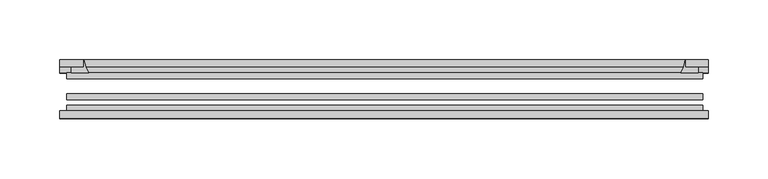
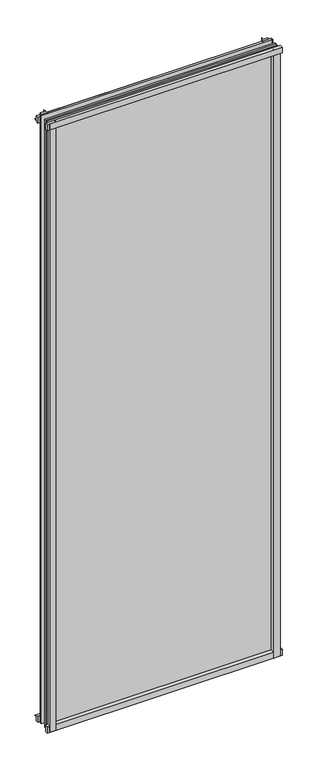
"""IFC4 building model written with IfcOpenShell, lengths in millimetres: plate geometry."""

from ifc_helpers import new_model, si_unit, point, frame, frame_2d, origin, place, context, project, spatial, polyline, circle_curve, trimmed, segment, composite_curve, outline, extrude, source, transform, mapped, element, save


def plate_96dff3d5(model_context):
    return source(origin(), model_context, "Body", "SweptSolid", [
        extrude(outline(composite_curve([segment(polyline([(-85.1328625, 1465.5789565), (-78.7828625, 1465.5789565), (-78.7828625, 1449.3288472)]), True, "CONTINUOUS"), segment(trimmed(circle_curve(frame_2d((-85.0581856, 1440.2790918)), 11.0126179), [point((-78.7828625, 1449.3288472))], [point((-85.1328625, 1451.2914565))], True, "CARTESIAN"), True, "CONTINUOUS"), segment(polyline([(-85.1328625, 1451.2914565), (-85.1328625, 1465.5789565)]), True, "CONTINUOUS")], self_intersect=False)), frame((-270.8671875, 0.0, 0.0), z_axis=(1.0, 0.0, 0.0), x_axis=(0.0, 1.0, 0.0)), (0.0, 0.0, 1.0), 540.54375),
        extrude(outline(composite_curve([segment(polyline([(-265.1125, -78.7828625), (-248.2512844, -78.7828625)]), True, "CONTINUOUS"), segment(trimmed(circle_curve(frame_2d((-237.6888809, -86.7604812)), 13.2365693), [point((-248.2512844, -78.7828625))], [point((-250.825, -85.1328625))], True, "CARTESIAN"), True, "CONTINUOUS"), segment(polyline([(-250.825, -85.1328625), (-265.1125, -85.1328625), (-265.1125, -78.7828625)]), True, "CONTINUOUS")], self_intersect=False)), frame((0.0, 0.0, -14.2875), z_axis=(0.0, 0.0, 1.0), x_axis=(1.0, 0.0, 0.0)), (0.0, 0.0, 1.0), 1479.55),
        extrude(outline(composite_curve([segment(polyline([(265.1125, -78.7828625), (265.1125, -85.1328625), (250.825, -85.1328625)]), True, "CONTINUOUS"), segment(trimmed(circle_curve(frame_2d((237.6888809, -86.7604812)), 13.2365693), [point((250.825, -85.1328625))], [point((248.2512844, -78.7828625))], True, "CARTESIAN"), True, "CONTINUOUS"), segment(polyline([(248.2512844, -78.7828625), (265.1125, -78.7828625)]), True, "CONTINUOUS")], self_intersect=False)), frame((0.0, 0.0, -14.2875), z_axis=(0.0, 0.0, 1.0), x_axis=(1.0, 0.0, 0.0)), (0.0, 0.0, 1.0), 1479.55),
        extrude(outline(composite_curve([segment(polyline([(-47.1852625, -10.4712201), (-47.1852625, 3.9588469)]), True, "CONTINUOUS"), segment(trimmed(circle_curve(frame_2d((-30.6824422, 32.267054)), 32.7673262), [point((-47.1852625, 3.9588469))], [point((-36.3503395, -0.00635))], True, "CARTESIAN"), True, "CONTINUOUS"), segment(polyline([(-36.3503395, -0.00635), (-42.2830625, -0.00635), (-42.2830625, -10.4712201), (-47.1852625, -10.4712201)]), True, "CONTINUOUS")], self_intersect=False)), frame((-270.8671875, 0.0, 0.0), z_axis=(1.0, 0.0, 0.0), x_axis=(0.0, 1.0, 0.0)), (0.0, 0.0, 1.0), 540.54375),
        extrude(outline(composite_curve([segment(polyline([(-78.7828625, -14.2875), (-85.1328625, -14.2875), (-85.1328625, -0.0127)]), True, "CONTINUOUS"), segment(trimmed(circle_curve(frame_2d((-86.7604812, 13.1234191)), 13.2365693), [point((-85.1328625, -0.0127))], [point((-78.7828625, 2.5610156))], True, "CARTESIAN"), True, "CONTINUOUS"), segment(polyline([(-78.7828625, 2.5610156), (-78.7828625, -14.2875)]), True, "CONTINUOUS")], self_intersect=False)), frame((-270.8671875, 0.0, 0.0), z_axis=(1.0, 0.0, 0.0), x_axis=(0.0, 1.0, 0.0)), (0.0, 0.0, 1.0), 540.54375),
        extrude(outline(composite_curve([segment(polyline([(-47.1852625, 1447.0034531), (-47.1852625, 1461.6752564), (-42.2830625, 1461.6752564), (-42.2830625, 1450.975), (-36.3140625, 1450.975)]), True, "CONTINUOUS"), segment(trimmed(circle_curve(frame_2d((-30.6824422, 1418.695246)), 32.7673262), [point((-36.3140625, 1450.975))], [point((-47.1852625, 1447.0034531))], True, "CARTESIAN"), True, "CONTINUOUS")], self_intersect=False)), frame((-270.8671875, 0.0, 0.0), z_axis=(1.0, 0.0, 0.0), x_axis=(0.0, 1.0, 0.0)), (0.0, 0.0, 1.0), 540.54375),
        extrude(outline(composite_curve([segment(trimmed(circle_curve(frame_2d((218.545246, -30.6824422)), 32.7673262), [point((246.8534531, -47.1852625))], [point((250.825, -36.3140625))], True, "CARTESIAN"), True, "CONTINUOUS"), segment(polyline([(250.825, -36.3140625), (250.825, -42.2830625), (261.5253653, -42.2830625), (261.5253653, -47.1852625), (246.8534531, -47.1852625)]), True, "CONTINUOUS")], self_intersect=False)), frame((0.0, 0.0, -14.2875), z_axis=(0.0, 0.0, 1.0), x_axis=(1.0, 0.0, 0.0)), (0.0, 0.0, 1.0), 1479.55),
        extrude(outline(composite_curve([segment(polyline([(-246.8534531, -47.1852625), (-261.5202092, -47.1852625), (-261.5202092, -42.2830625), (-250.825, -42.2830625), (-250.825, -36.3140625)]), True, "CONTINUOUS"), segment(trimmed(circle_curve(frame_2d((-218.545246, -30.6824422)), 32.7673262), [point((-250.825, -36.3140625))], [point((-246.8534531, -47.1852625))], True, "CARTESIAN"), True, "CONTINUOUS")], self_intersect=False)), frame((0.0, 0.0, -14.2875), z_axis=(0.0, 0.0, 1.0), x_axis=(1.0, 0.0, 0.0)), (0.0, 0.0, 1.0), 1479.55),
        extrude(outline(polyline([(265.1125, -64.6604625), (265.1125, -69.4356625), (-265.1125, -69.4356625), (-265.1125, -64.6604625), (265.1125, -64.6604625)])), frame((0.0, 0.0, -14.2875), z_axis=(0.0, 0.0, 1.0), x_axis=(1.0, 0.0, 0.0)), (0.0, 0.0, 1.0), 1479.55),
        extrude(outline(polyline([(-265.1125, -78.7828625), (-265.1125, -74.0076625), (265.1125, -74.0076625), (265.1125, -78.7828625), (-265.1125, -78.7828625)])), frame((0.0, 0.0, -14.2875), z_axis=(0.0, 0.0, 1.0), x_axis=(1.0, 0.0, 0.0)), (0.0, 0.0, 1.0), 1479.55),
        extrude(outline(polyline([(-265.1125, -47.1852625), (265.1125, -47.1852625), (265.1125, -51.9604625), (-265.1125, -51.9604625), (-265.1125, -47.1852625)])), frame((0.0, 0.0, -14.2875), z_axis=(0.0, 0.0, 1.0), x_axis=(1.0, 0.0, 0.0)), (0.0, 0.0, 1.0), 1479.55),
    ])


if __name__ == "__main__":
    model = new_model("IFC4")
    model_context = context("Model", 3, world=origin())
    ifc_project = project(units=[si_unit("LENGTHUNIT", "METRE", prefix="MILLI")], contexts=[model_context])
    site = spatial("IfcSite", under=ifc_project)
    building = spatial("IfcBuilding", under=site)
    placement = place(None, origin())
    plate_shape = plate_96dff3d5(model_context)
    element("IfcPlate", 1, at=placement, inside=building, context=model_context, shape_type="MappedRepresentation", body=[
        mapped(plate_shape, transform((0.0, 0.0, 0.0), x_axis=(1.0, 0.0, 0.0), y_axis=(0.0, 1.0, 0.0), z_axis=(0.0, 0.0, 1.0))),
    ])
    save(model, "model.ifc")
